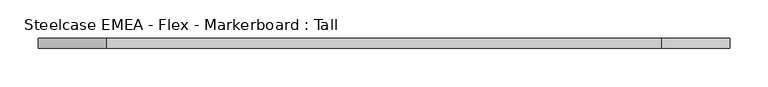
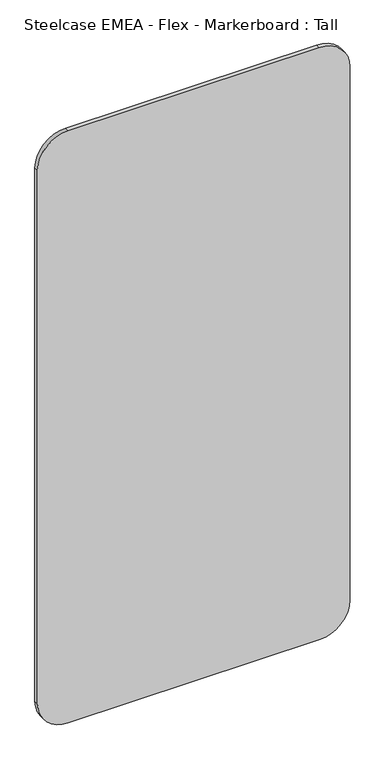
"""IFC4 building model written with IfcOpenShell, lengths in millimetres: furniture geometry, Steelcase EMEA - Flex - Markerboard : Tall."""

from ifc_helpers import new_model, si_unit, point, frame, frame_2d, origin, place, context, project, spatial, polyline, circle_curve, trimmed, segment, composite_curve, outline, extrude, source, transform, mapped, element, save


def steelcase_emea_flex_markerboard_tall_209112e6(model_context):
    return source(origin(), model_context, "Body", "SweptSolid", [
        extrude(outline(composite_curve([segment(polyline([(1800.0, 811.1), (1800.0, 88.9)]), True, "CONTINUOUS"), segment(trimmed(circle_curve(frame_2d((1711.1, 88.9)), 88.9), [point((1800.0, 88.9))], [point((1711.1, 0.0))], False, "CARTESIAN"), True, "CONTINUOUS"), segment(polyline([(1711.1, 0.0), (88.9, 0.0)]), True, "CONTINUOUS"), segment(trimmed(circle_curve(frame_2d((88.9, 88.9)), 88.9), [point((88.9, 0.0))], [point((0.0, 88.9))], False, "CARTESIAN"), True, "CONTINUOUS"), segment(polyline([(0.0, 88.9), (0.0, 811.1)]), True, "CONTINUOUS"), segment(trimmed(circle_curve(frame_2d((88.9, 811.1)), 88.9), [point((0.0, 811.1))], [point((88.9, 900.0))], False, "CARTESIAN"), True, "CONTINUOUS"), segment(polyline([(88.9, 900.0), (1711.1, 900.0)]), True, "CONTINUOUS"), segment(trimmed(circle_curve(frame_2d((1711.1, 811.1)), 88.9), [point((1711.1, 900.0))], [point((1800.0, 811.1))], False, "CARTESIAN"), True, "CONTINUOUS")], self_intersect=False)), frame((0.0, 0.0, 0.0), z_axis=(0.0, 1.0, 0.0), x_axis=(0.0, 0.0, 1.0)), (0.0, 0.0, 1.0), 12.6931299),
    ])


if __name__ == "__main__":
    model = new_model("IFC4")
    model_context = context("Model", 3, world=origin())
    ifc_project = project(units=[si_unit("LENGTHUNIT", "METRE", prefix="MILLI")], contexts=[model_context])
    site = spatial("IfcSite", under=ifc_project)
    building = spatial("IfcBuilding", under=site)
    placement = place(None, origin())
    steelcase_emea_flex_markerboard_tall_shape = steelcase_emea_flex_markerboard_tall_209112e6(model_context)
    element("IfcFurniture", 1, ObjectType="Steelcase EMEA - Flex - Markerboard : Tall", at=placement, inside=building, context=model_context, shape_type="MappedRepresentation", body=[
        mapped(steelcase_emea_flex_markerboard_tall_shape, transform((0.0, 0.0, 0.0), x_axis=(1.0, 0.0, 0.0), y_axis=(0.0, 1.0, 0.0), z_axis=(0.0, 0.0, 1.0))),
    ])
    save(model, "model.ifc")
